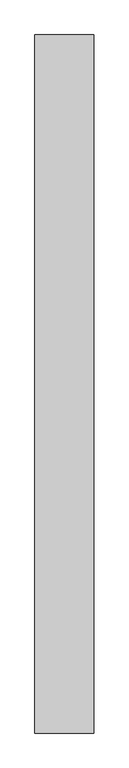
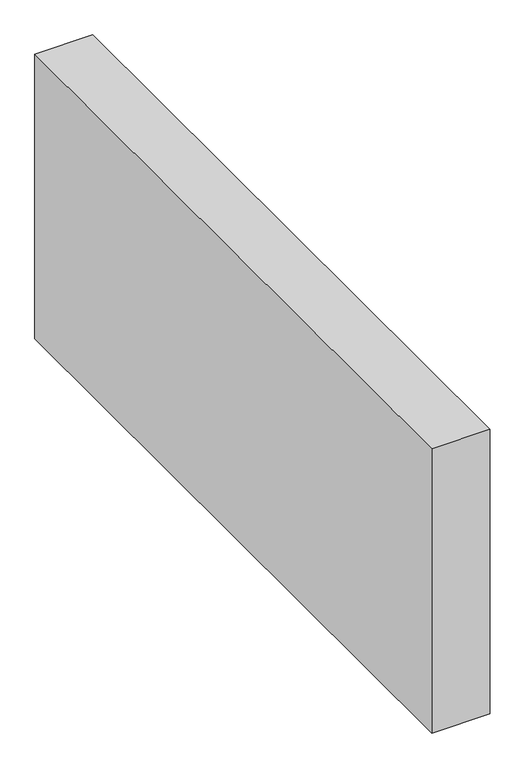
"""IFC4 building model written with IfcOpenShell, lengths in millimetres: proxy geometry."""

from ifc_helpers import new_model, si_unit, origin, origin_with_axes, place, context, project, spatial, polyline, outline, extrude, source, transform, mapped, element, save


def generic_models_3ee0ec4c(model_context):
    return source(origin(), model_context, "Body", "SweptSolid", [
        extrude(outline(polyline([(150.0, 1777.0201061), (150.0, 0.0), (0.0, 0.0), (0.0, 1777.0201061), (150.0, 1777.0201061)])), origin_with_axes(), (0.0, 0.0, 1.0), 776.6553396),
    ])


if __name__ == "__main__":
    model = new_model("IFC4")
    model_context = context("Model", 3, world=origin())
    ifc_project = project(units=[si_unit("LENGTHUNIT", "METRE", prefix="MILLI")], contexts=[model_context])
    site = spatial("IfcSite", under=ifc_project)
    building = spatial("IfcBuilding", under=site)
    placement = place(None, origin())
    generic_models_shape = generic_models_3ee0ec4c(model_context)
    element("IfcBuildingElementProxy", 1, Name="Generic Models", at=placement, inside=building, context=model_context, shape_type="MappedRepresentation", body=[
        mapped(generic_models_shape, transform((0.0, 0.0, 0.0), x_axis=(1.0, 0.0, 0.0), y_axis=(0.0, 1.0, 0.0), z_axis=(0.0, 0.0, 1.0))),
    ])
    save(model, "model.ifc")
